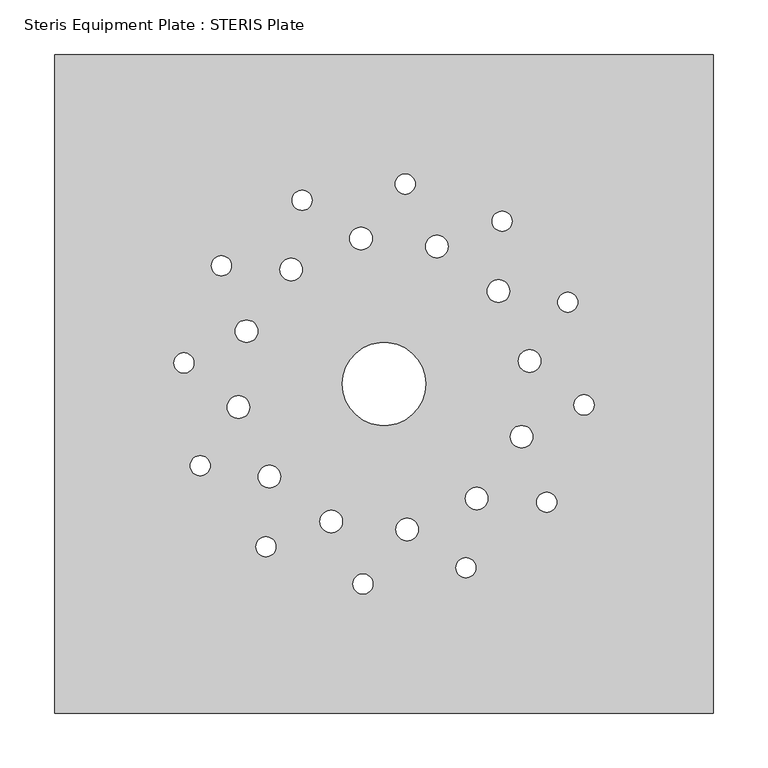
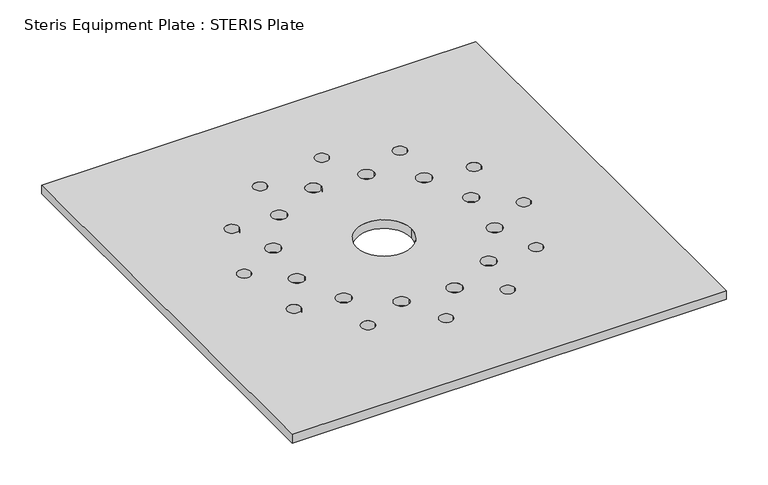
"""IFC4 building model written with IfcOpenShell, lengths in millimetres: fastener geometry, Steris Equipment Plate : STERIS Plate."""

from ifc_helpers import new_model, si_unit, point, frame_2d, origin, origin_with_axes, origin_2d, place, context, project, spatial, polyline, circle_curve, trimmed, segment, composite_curve, outline, extrude, source, transform, mapped, element, save


def steris_equipment_plate_steris_plate_c2cb1592(model_context):
    return source(origin(), model_context, "Body", "SweptSolid", [
        extrude(outline(polyline([(301.625, 301.625), (301.625, -301.625), (-301.625, -301.625), (-301.625, 301.625), (301.625, 301.625)]), holes=[composite_curve([segment(trimmed(circle_curve(origin_2d(), 38.1), [point((-38.1, 0.0))], [point((38.1, 0.0))], True, "CARTESIAN"), True, "CONTINUOUS"), segment(trimmed(circle_curve(origin_2d(), 38.1), [point((38.1, 0.0))], [point((-38.1, 0.0))], True, "CARTESIAN"), True, "CONTINUOUS")], self_intersect=False), composite_curve([segment(trimmed(circle_curve(frame_2d((-75.0270173, 168.1730334)), 9.1997914), [point((-84.2268087, 168.1730334))], [point((-65.8272259, 168.1730334))], True, "CARTESIAN"), True, "CONTINUOUS"), segment(trimmed(circle_curve(frame_2d((-75.0270173, 168.1730334)), 9.1997914), [point((-65.8272259, 168.1730334))], [point((-84.2268087, 168.1730334))], True, "CARTESIAN"), True, "CONTINUOUS")], self_intersect=False), composite_curve([segment(trimmed(circle_curve(frame_2d((-21.0564295, 133.2529907)), 10.3178574), [point((-31.3742869, 133.2529907))], [point((-10.7385721, 133.2529907))], True, "CARTESIAN"), True, "CONTINUOUS"), segment(trimmed(circle_curve(frame_2d((-21.0564295, 133.2529907)), 10.3178574), [point((-10.7385721, 133.2529907))], [point((-31.3742869, 133.2529907))], True, "CARTESIAN"), True, "CONTINUOUS")], self_intersect=False), composite_curve([segment(trimmed(circle_curve(frame_2d((-85.046273, 104.7628768)), 10.3178574), [point((-95.3641303, 104.7628768))], [point((-74.7284156, 104.7628768))], True, "CARTESIAN"), True, "CONTINUOUS"), segment(trimmed(circle_curve(frame_2d((-85.046273, 104.7628768)), 10.3178574), [point((-74.7284156, 104.7628768))], [point((-95.3641303, 104.7628768))], True, "CARTESIAN"), True, "CONTINUOUS")], self_intersect=False), composite_curve([segment(trimmed(circle_curve(frame_2d((-125.9161603, 48.3118653)), 10.3178574), [point((-136.2340177, 48.3118653))], [point((-115.5983029, 48.3118653))], True, "CARTESIAN"), True, "CONTINUOUS"), segment(trimmed(circle_curve(frame_2d((-125.9161603, 48.3118653)), 10.3178574), [point((-115.5983029, 48.3118653))], [point((-136.2340177, 48.3118653))], True, "CARTESIAN"), True, "CONTINUOUS")], self_intersect=False), composite_curve([segment(trimmed(circle_curve(frame_2d((-148.8990551, 108.1541992)), 9.1997914), [point((-158.0988466, 108.1541992))], [point((-139.6992637, 108.1541992))], True, "CARTESIAN"), True, "CONTINUOUS"), segment(trimmed(circle_curve(frame_2d((-148.8990551, 108.1541992)), 9.1997914), [point((-139.6992637, 108.1541992))], [point((-158.0988466, 108.1541992))], True, "CARTESIAN"), True, "CONTINUOUS")], self_intersect=False), composite_curve([segment(trimmed(circle_curve(frame_2d((-183.1837831, 19.2363042)), 9.1997914), [point((-192.3835746, 19.2363042))], [point((-173.9839917, 19.2363042))], True, "CARTESIAN"), True, "CONTINUOUS"), segment(trimmed(circle_curve(frame_2d((-183.1837831, 19.2363042)), 9.1997914), [point((-173.9839917, 19.2363042))], [point((-192.3835746, 19.2363042))], True, "CARTESIAN"), True, "CONTINUOUS")], self_intersect=False), composite_curve([segment(trimmed(circle_curve(frame_2d((-168.2986293, -74.7448586)), 9.1997914), [point((-177.4984207, -74.7448586))], [point((-159.0988379, -74.7448586))], True, "CARTESIAN"), True, "CONTINUOUS"), segment(trimmed(circle_curve(frame_2d((-168.2986293, -74.7448586)), 9.1997914), [point((-159.0988379, -74.7448586))], [point((-177.4984207, -74.7448586))], True, "CARTESIAN"), True, "CONTINUOUS")], self_intersect=False), composite_curve([segment(trimmed(circle_curve(frame_2d((-108.14737, -149.0254777)), 9.1997914), [point((-117.3471614, -149.0254777))], [point((-98.9475785, -149.0254777))], True, "CARTESIAN"), True, "CONTINUOUS"), segment(trimmed(circle_curve(frame_2d((-108.14737, -149.0254777)), 9.1997914), [point((-98.9475785, -149.0254777))], [point((-117.3471614, -149.0254777))], True, "CARTESIAN"), True, "CONTINUOUS")], self_intersect=False), composite_curve([segment(trimmed(circle_curve(frame_2d((-19.2818936, -183.137738)), 9.1997914), [point((-28.481685, -183.137738))], [point((-10.0821022, -183.137738))], True, "CARTESIAN"), True, "CONTINUOUS"), segment(trimmed(circle_curve(frame_2d((-19.2818936, -183.137738)), 9.1997914), [point((-10.0821022, -183.137738))], [point((-28.481685, -183.137738))], True, "CARTESIAN"), True, "CONTINUOUS")], self_intersect=False), composite_curve([segment(trimmed(circle_curve(frame_2d((74.9308439, -168.2159063)), 9.1997914), [point((65.7310525, -168.2159063))], [point((84.1306353, -168.2159063))], True, "CARTESIAN"), True, "CONTINUOUS"), segment(trimmed(circle_curve(frame_2d((74.9308439, -168.2159063)), 9.1997914), [point((84.1306353, -168.2159063))], [point((65.7310525, -168.2159063))], True, "CARTESIAN"), True, "CONTINUOUS")], self_intersect=False), composite_curve([segment(trimmed(circle_curve(frame_2d((148.9609867, -108.2674787)), 9.1997914), [point((139.7611953, -108.2674787))], [point((158.1607781, -108.2674787))], True, "CARTESIAN"), True, "CONTINUOUS"), segment(trimmed(circle_curve(frame_2d((148.9609867, -108.2674787)), 9.1997914), [point((158.1607781, -108.2674787))], [point((139.7611953, -108.2674787))], True, "CARTESIAN"), True, "CONTINUOUS")], self_intersect=False), composite_curve([segment(trimmed(circle_curve(frame_2d((183.1446701, -19.2159388)), 9.1997914), [point((173.9448787, -19.2159388))], [point((192.3444615, -19.2159388))], True, "CARTESIAN"), True, "CONTINUOUS"), segment(trimmed(circle_curve(frame_2d((183.1446701, -19.2159388)), 9.1997914), [point((192.3444615, -19.2159388))], [point((173.9448787, -19.2159388))], True, "CARTESIAN"), True, "CONTINUOUS")], self_intersect=False), composite_curve([segment(trimmed(circle_curve(frame_2d((168.2428803, 74.8702593)), 9.1997914), [point((159.0430889, 74.8702593))], [point((177.4426717, 74.8702593))], True, "CARTESIAN"), True, "CONTINUOUS"), segment(trimmed(circle_curve(frame_2d((168.2428803, 74.8702593)), 9.1997914), [point((177.4426717, 74.8702593))], [point((159.0430889, 74.8702593))], True, "CARTESIAN"), True, "CONTINUOUS")], self_intersect=False), composite_curve([segment(trimmed(circle_curve(frame_2d((108.1690152, 149.0553045)), 9.1997914), [point((98.9692238, 149.0553045))], [point((117.3688066, 149.0553045))], True, "CARTESIAN"), True, "CONTINUOUS"), segment(trimmed(circle_curve(frame_2d((108.1690152, 149.0553045)), 9.1997914), [point((117.3688066, 149.0553045))], [point((98.9692238, 149.0553045))], True, "CARTESIAN"), True, "CONTINUOUS")], self_intersect=False), composite_curve([segment(trimmed(circle_curve(frame_2d((19.418974, 183.1232534)), 9.1997914), [point((10.2191826, 183.1232534))], [point((28.6187654, 183.1232534))], True, "CARTESIAN"), True, "CONTINUOUS"), segment(trimmed(circle_curve(frame_2d((19.418974, 183.1232534)), 9.1997914), [point((28.6187654, 183.1232534))], [point((10.2191826, 183.1232534))], True, "CARTESIAN"), True, "CONTINUOUS")], self_intersect=False), composite_curve([segment(trimmed(circle_curve(frame_2d((48.4206779, 125.9506525)), 10.3178574), [point((38.1028205, 125.9506525))], [point((58.7385353, 125.9506525))], True, "CARTESIAN"), True, "CONTINUOUS"), segment(trimmed(circle_curve(frame_2d((48.4206779, 125.9506525)), 10.3178574), [point((58.7385353, 125.9506525))], [point((38.1028205, 125.9506525))], True, "CARTESIAN"), True, "CONTINUOUS")], self_intersect=False), composite_curve([segment(trimmed(circle_curve(frame_2d((104.8233764, 84.9716933)), 10.3178574), [point((94.505519, 84.9716933))], [point((115.1412338, 84.9716933))], True, "CARTESIAN"), True, "CONTINUOUS"), segment(trimmed(circle_curve(frame_2d((104.8233764, 84.9716933)), 10.3178574), [point((115.1412338, 84.9716933))], [point((94.505519, 84.9716933))], True, "CARTESIAN"), True, "CONTINUOUS")], self_intersect=False), composite_curve([segment(trimmed(circle_curve(frame_2d((133.2868036, 21.0417891)), 10.3178574), [point((122.9689462, 21.0417891))], [point((143.604661, 21.0417891))], True, "CARTESIAN"), True, "CONTINUOUS"), segment(trimmed(circle_curve(frame_2d((133.2868036, 21.0417891)), 10.3178574), [point((143.604661, 21.0417891))], [point((122.9689462, 21.0417891))], True, "CARTESIAN"), True, "CONTINUOUS")], self_intersect=False), composite_curve([segment(trimmed(circle_curve(frame_2d((125.9993332, -48.2938603)), 10.3178574), [point((115.6814758, -48.2938603))], [point((136.3171906, -48.2938603))], True, "CARTESIAN"), True, "CONTINUOUS"), segment(trimmed(circle_curve(frame_2d((125.9993332, -48.2938603)), 10.3178574), [point((136.3171906, -48.2938603))], [point((115.6814758, -48.2938603))], True, "CARTESIAN"), True, "CONTINUOUS")], self_intersect=False), composite_curve([segment(trimmed(circle_curve(frame_2d((84.8661257, -104.9088633)), 10.3178574), [point((74.5482684, -104.9088633))], [point((95.1839831, -104.9088633))], True, "CARTESIAN"), True, "CONTINUOUS"), segment(trimmed(circle_curve(frame_2d((84.8661257, -104.9088633)), 10.3178574), [point((95.1839831, -104.9088633))], [point((74.5482684, -104.9088633))], True, "CARTESIAN"), True, "CONTINUOUS")], self_intersect=False), composite_curve([segment(trimmed(circle_curve(frame_2d((21.1759568, -133.2655535)), 10.3178574), [point((10.8580994, -133.2655535))], [point((31.4938142, -133.2655535))], True, "CARTESIAN"), True, "CONTINUOUS"), segment(trimmed(circle_curve(frame_2d((21.1759568, -133.2655535)), 10.3178574), [point((31.4938142, -133.2655535))], [point((10.8580994, -133.2655535))], True, "CARTESIAN"), True, "CONTINUOUS")], self_intersect=False), composite_curve([segment(trimmed(circle_curve(frame_2d((-48.3263702, -125.9605646)), 10.3178574), [point((-58.6442276, -125.9605646))], [point((-38.0085129, -125.9605646))], True, "CARTESIAN"), True, "CONTINUOUS"), segment(trimmed(circle_curve(frame_2d((-48.3263702, -125.9605646)), 10.3178574), [point((-38.0085129, -125.9605646))], [point((-58.6442276, -125.9605646))], True, "CARTESIAN"), True, "CONTINUOUS")], self_intersect=False), composite_curve([segment(trimmed(circle_curve(frame_2d((-104.9385627, -84.8293992)), 10.3178574), [point((-115.2564201, -84.8293992))], [point((-94.6207053, -84.8293992))], True, "CARTESIAN"), True, "CONTINUOUS"), segment(trimmed(circle_curve(frame_2d((-104.9385627, -84.8293992)), 10.3178574), [point((-94.6207053, -84.8293992))], [point((-115.2564201, -84.8293992))], True, "CARTESIAN"), True, "CONTINUOUS")], self_intersect=False), composite_curve([segment(trimmed(circle_curve(frame_2d((-133.2581331, -21.2226025)), 10.3178574), [point((-143.5759905, -21.2226025))], [point((-122.9402758, -21.2226025))], True, "CARTESIAN"), True, "CONTINUOUS"), segment(trimmed(circle_curve(frame_2d((-133.2581331, -21.2226025)), 10.3178574), [point((-122.9402758, -21.2226025))], [point((-143.5759905, -21.2226025))], True, "CARTESIAN"), True, "CONTINUOUS")], self_intersect=False)]), origin_with_axes(), (0.0, 0.0, 1.0), 12.7),
    ])


if __name__ == "__main__":
    model = new_model("IFC4")
    model_context = context("Model", 3, world=origin())
    ifc_project = project(units=[si_unit("LENGTHUNIT", "METRE", prefix="MILLI")], contexts=[model_context])
    site = spatial("IfcSite", under=ifc_project)
    building = spatial("IfcBuilding", under=site)
    placement = place(None, origin())
    steris_equipment_plate_steris_plate_shape = steris_equipment_plate_steris_plate_c2cb1592(model_context)
    element("IfcFastener", 1, ObjectType="Steris Equipment Plate : STERIS Plate", at=placement, inside=building, context=model_context, shape_type="MappedRepresentation", body=[
        mapped(steris_equipment_plate_steris_plate_shape, transform((0.0, 0.0, 0.0), x_axis=(1.0, 0.0, 0.0), y_axis=(0.0, 1.0, 0.0), z_axis=(0.0, 0.0, 1.0))),
    ])
    save(model, "model.ifc")
